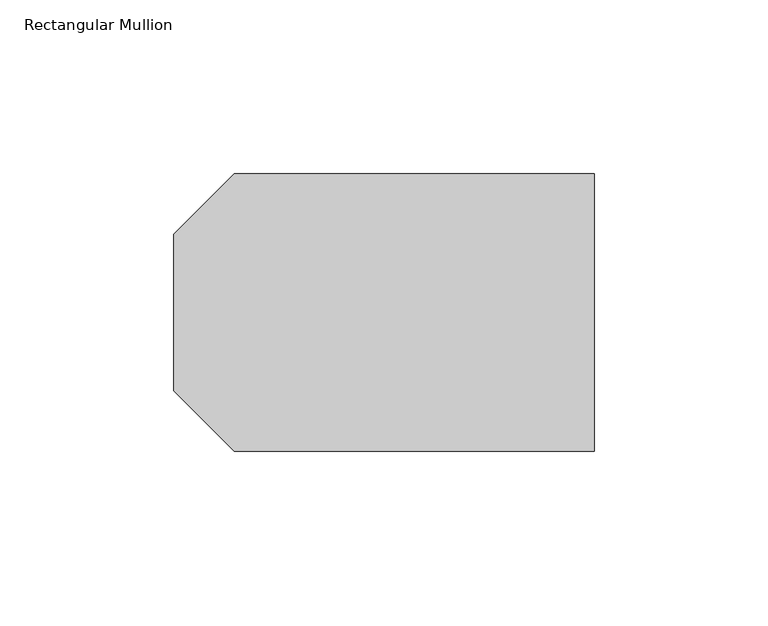
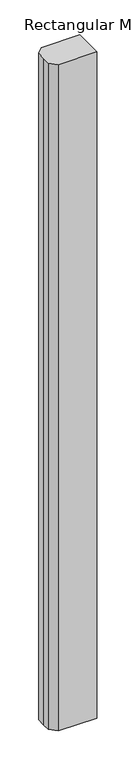
"""IFC4 building model written with IfcOpenShell, lengths in millimetres: member geometry, Rectangular Mullion."""

from ifc_helpers import new_model, si_unit, frame, origin, place, context, project, spatial, polyline, outline, extrude, source, transform, mapped, element, save


def rectangular_mullion_a4c7e66a(model_context):
    return source(origin(), model_context, "Body", "SweptSolid", [
        extrude(outline(polyline([(-121.0, 22.5), (-103.597438, 39.902562), (0.0, 39.902562), (0.0, -39.902562), (-103.597438, -39.902562), (-121.0, -22.5), (-121.0, 0.0), (-121.0, 22.5)])), frame((0.0, 0.0, -1900.0000001), z_axis=(0.0, 0.0, 1.0), x_axis=(1.0, 0.0, 0.0)), (0.0, 0.0, 1.0), 1900.0000001),
    ])


if __name__ == "__main__":
    model = new_model("IFC4")
    model_context = context("Model", 3, world=origin())
    ifc_project = project(units=[si_unit("LENGTHUNIT", "METRE", prefix="MILLI")], contexts=[model_context])
    site = spatial("IfcSite", under=ifc_project)
    building = spatial("IfcBuilding", under=site)
    placement = place(None, origin())
    rectangular_mullion_shape = rectangular_mullion_a4c7e66a(model_context)
    element("IfcMember", 1, ObjectType="Rectangular Mullion", at=placement, inside=building, context=model_context, shape_type="MappedRepresentation", body=[
        mapped(rectangular_mullion_shape, transform((0.0, 0.0, 0.0), x_axis=(1.0, 0.0, 0.0), y_axis=(0.0, 1.0, 0.0), z_axis=(0.0, 0.0, 1.0))),
    ])
    save(model, "model.ifc")
